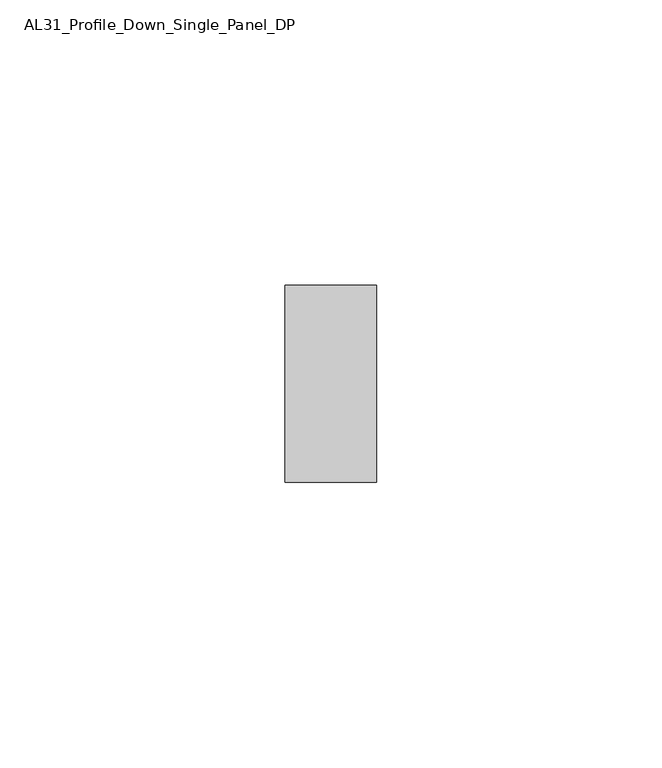
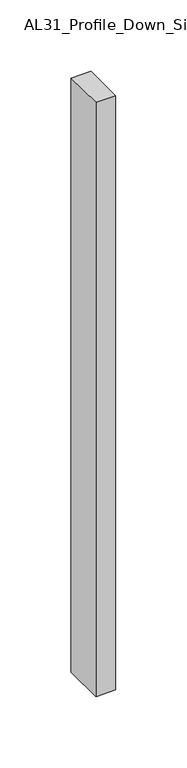
"""IFC4 building model written with IfcOpenShell, lengths in millimetres: member geometry, AL31_Profile_Down_Single_Panel_DP."""

import ifcopenshell
import ifcopenshell.guid

model = None  # the IFC model being written
_history = None  # IfcOwnerHistory: only IFC2X3 demands one
_inside = {}  # id of a spatial element -> (the spatial element, [elements in it])
_under = {}  # id of a project, library or spatial element -> (it, [spatial elements below it])
_declared = {}  # id of a project -> (the project, [libraries it declares])
_typed = {}  # id of a type object -> (the type object, [elements of that type])
_made_of = {}  # id of a material, layer set ... -> (it, [elements and type objects made of it])


def new_model(schema):
    """Start an empty IFC model of exactly this schema.

    Asked for "IFC4X3", IfcOpenShell would pick the latest addendum, in which some entities
    have other attributes; the version numbers below select the first issue.
    IFC2X3 requires an IfcOwnerHistory on every rooted entity: one is made here for all.
    """
    global model, _history
    if schema == "IFC4X3":
        model = ifcopenshell.file(schema_version=(4, 3, 0, 0))
    else:
        model = ifcopenshell.file(schema=schema)
    _inside.clear()
    _under.clear()
    _declared.clear()
    _typed.clear()
    _made_of.clear()
    _history = None
    if model.schema == "IFC2X3":
        org = make("IfcOrganization", Name="unknown")
        user = make(
            "IfcPersonAndOrganization",
            ThePerson=make("IfcPerson", FamilyName="unknown"),
            TheOrganization=org,
        )
        app = make(
            "IfcApplication",
            ApplicationDeveloper=org,
            Version="unknown",
            ApplicationFullName="unknown",
            ApplicationIdentifier="unknown",
        )
        _history = make(
            "IfcOwnerHistory",
            OwningUser=user,
            OwningApplication=app,
            ChangeAction="ADDED",
            CreationDate=0,
        )
    return model


def make(cls, **values):
    """One entity of the class cls with the attributes given. An attribute that is None is left unset."""
    return model.create_entity(
        cls, **{name: value for name, value in values.items() if value is not None}
    )


def rooted(cls, **values):
    """An entity with a GlobalId (a new one), such as an element, a storey or a relation."""
    return make(cls, GlobalId=ifcopenshell.guid.new(), OwnerHistory=_history, **values)


def si_unit(unit_type, name, prefix=None):
    """IfcSIUnit, for example si_unit("LENGTHUNIT", "METRE", prefix="MILLI")."""
    return make("IfcSIUnit", UnitType=unit_type, Prefix=prefix, Name=name)


def assignment(units):
    """IfcUnitAssignment: the units of a project."""
    return None if units is None else make("IfcUnitAssignment", Units=units)


def point(xyz):
    """IfcCartesianPoint."""
    return None if xyz is None else make("IfcCartesianPoint", Coordinates=xyz)


def direction(xyz):
    """IfcDirection."""
    return None if xyz is None else make("IfcDirection", DirectionRatios=xyz)


def frame(location, z_axis=None, x_axis=None):
    """IfcAxis2Placement3D, a coordinate frame: its origin and axes. An axis left out is left unset."""
    return make(
        "IfcAxis2Placement3D",
        Location=point(location),
        Axis=direction(z_axis),
        RefDirection=direction(x_axis),
    )


def origin():
    """The frame at (0, 0, 0) with its axes left unset."""
    return frame((0.0, 0.0, 0.0))


def place(relative_to, where):
    """IfcLocalPlacement: puts the frame where relative to a parent placement (None: the world)."""
    return make(
        "IfcLocalPlacement", PlacementRelTo=relative_to, RelativePlacement=where
    )


def context(
    kind, dimensions, precision=None, world=None, true_north=None, identifier=None
):
    """IfcGeometricRepresentationContext, for example the 3D "Model" context."""
    return make(
        "IfcGeometricRepresentationContext",
        ContextIdentifier=identifier,
        ContextType=kind,
        CoordinateSpaceDimension=dimensions,
        Precision=precision,
        WorldCoordinateSystem=world,
        TrueNorth=true_north,
    )


def project(units=None, contexts=None):
    """IfcProject with its units and contexts."""
    return rooted(
        "IfcProject",
        Name="project",
        RepresentationContexts=contexts,
        UnitsInContext=assignment(units),
    )


def spatial(cls, under=None, at=None, **own):
    """A site, building, storey or space (cls), placed at a placement, below another one or the project."""
    s = rooted(cls, ObjectPlacement=at, **own)
    if under is not None:
        _under.setdefault(under.id(), (under, []))[1].append(s)
    return s


def polyline(points):
    """IfcPolyline through the points."""
    return make("IfcPolyline", Points=[point(p) for p in points])


def outline(outer, holes=None, kind="AREA"):
    """IfcArbitraryClosedProfileDef: a profile drawn as a closed curve; with holes, ...WithVoids."""
    if holes is None:
        return make("IfcArbitraryClosedProfileDef", ProfileType=kind, OuterCurve=outer)
    return make(
        "IfcArbitraryProfileDefWithVoids",
        ProfileType=kind,
        OuterCurve=outer,
        InnerCurves=holes,
    )


def extrude(swept, where, along, depth):
    """IfcExtrudedAreaSolid: the profile swept, set in the frame where, extruded along a direction by depth."""
    return make(
        "IfcExtrudedAreaSolid",
        SweptArea=swept,
        Position=where,
        ExtrudedDirection=direction(along),
        Depth=depth,
    )


def shape(context_of_items, identifier, shape_type, items):
    """IfcShapeRepresentation: the items that make up one representation, for example the "Body"."""
    return make(
        "IfcShapeRepresentation",
        ContextOfItems=context_of_items,
        RepresentationIdentifier=identifier,
        RepresentationType=shape_type,
        Items=items,
    )


def source(mapping_origin, context_of_items, identifier, shape_type, items):
    """IfcRepresentationMap: a shape defined once, which mapped items show again and again."""
    return make(
        "IfcRepresentationMap",
        MappingOrigin=mapping_origin,
        MappedRepresentation=shape(context_of_items, identifier, shape_type, items),
    )


def transform(
    local_origin,
    x_axis=None,
    y_axis=None,
    z_axis=None,
    scale=None,
    scale2=None,
    scale3=None,
    uniform=True,
):
    """IfcCartesianTransformationOperator3D, or its non-uniform kind. x_axis, y_axis, z_axis: its Axis1, 2, 3."""
    if uniform:
        return make(
            "IfcCartesianTransformationOperator3D",
            Axis1=direction(x_axis),
            Axis2=direction(y_axis),
            LocalOrigin=point(local_origin),
            Scale=scale,
            Axis3=direction(z_axis),
        )
    return make(
        "IfcCartesianTransformationOperator3DnonUniform",
        Axis1=direction(x_axis),
        Axis2=direction(y_axis),
        LocalOrigin=point(local_origin),
        Scale=scale,
        Axis3=direction(z_axis),
        Scale2=scale2,
        Scale3=scale3,
    )


def mapped(mapping_source, mapping_target):
    """IfcMappedItem: shows the shape of a source again, moved by a transform."""
    return make(
        "IfcMappedItem", MappingSource=mapping_source, MappingTarget=mapping_target
    )


def made_of(thing, what):
    """Note that an element or type object is made of a material, layer set ...; save() writes the relation."""
    if what is not None:
        _made_of.setdefault(what.id(), (what, []))[1].append(thing)
    return thing


def element(
    cls,
    number,
    at=None,
    inside=None,
    cuts=None,
    type_object=None,
    material=None,
    context=None,
    identifier="Body",
    shape_type=None,
    held_by="IfcProductDefinitionShape",
    body=None,
    shapes=None,
    **own,
):
    """One element of the class cls, such as IfcWall. Its Tag is "e" and its number.

    at: its placement. inside: the storey or other place that contains it. cuts: it is an
    opening in that element (IfcRelVoidsElement). A single representation is given by context,
    identifier, shape_type and body (its items); several are given by shapes. held_by: the class
    of the entity that holds the representations. save() writes the other relations.
    """
    e = rooted(cls, Tag="e%d" % number, ObjectPlacement=at, **own)
    if body is not None:
        shapes = [shape(context, identifier, shape_type, body)]
    if shapes is not None:
        e.Representation = make(held_by, Representations=shapes)
    if inside is not None:
        _inside.setdefault(inside.id(), (inside, []))[1].append(e)
    if cuts is not None:
        rooted(
            "IfcRelVoidsElement", RelatingBuildingElement=cuts, RelatedOpeningElement=e
        )
    if type_object is not None:
        _typed.setdefault(type_object.id(), (type_object, []))[1].append(e)
    return made_of(e, material)


def aggregate(whole, parts):
    """IfcRelAggregates: a whole, such as a stair, and the parts it consists of."""
    return rooted("IfcRelAggregates", RelatingObject=whole, RelatedObjects=parts)


def save(model, path):
    """Write the relations noted so far, then the file.

    IfcRelAggregates (storeys below a building ...), IfcRelContainedInSpatialStructure (elements
    in a storey), IfcRelDefinesByType, IfcRelAssociatesMaterial and IfcRelDeclares: one each for
    every whole, place, type object, material and project.
    """
    for whole, parts in _under.values():
        aggregate(whole, parts)
    for where, things in _inside.values():
        rooted(
            "IfcRelContainedInSpatialStructure",
            RelatedElements=things,
            RelatingStructure=where,
        )
    for kind, things in _typed.values():
        rooted("IfcRelDefinesByType", RelatedObjects=things, RelatingType=kind)
    for what, things in _made_of.values():
        rooted("IfcRelAssociatesMaterial", RelatedObjects=things, RelatingMaterial=what)
    for by, libraries in _declared.values():
        rooted("IfcRelDeclares", RelatingContext=by, RelatedDefinitions=libraries)
    model.write(path)


def al31_profile_down_single_panel_dp_41aac054(model_context):
    return source(origin(), model_context, "Body", "SweptSolid", [
        extrude(outline(polyline([(0.0, 37.107), (0.0, 2.607), (-16.0427074, 2.607), (-16.0427074, 37.107), (0.0, 37.107)])), frame((0.0, 0.0, -507.6602632), z_axis=(0.0, 0.0, 1.0), x_axis=(1.0, 0.0, 0.0)), (0.0, 0.0, 1.0), 507.6602632),
    ])


if __name__ == "__main__":
    model = new_model("IFC4")
    model_context = context("Model", 3, world=origin())
    ifc_project = project(units=[si_unit("LENGTHUNIT", "METRE", prefix="MILLI")], contexts=[model_context])
    site = spatial("IfcSite", under=ifc_project)
    building = spatial("IfcBuilding", under=site)
    placement = place(None, origin())
    al31_profile_down_single_panel_dp_shape = al31_profile_down_single_panel_dp_41aac054(model_context)
    element("IfcMember", 1, ObjectType="AL31_Profile_Down_Single_Panel_DP", at=placement, inside=building, context=model_context, shape_type="MappedRepresentation", body=[
        mapped(al31_profile_down_single_panel_dp_shape, transform((0.0, 0.0, 0.0), x_axis=(1.0, 0.0, 0.0), y_axis=(0.0, 1.0, 0.0), z_axis=(0.0, 0.0, 1.0))),
    ])
    save(model, "model.ifc")
